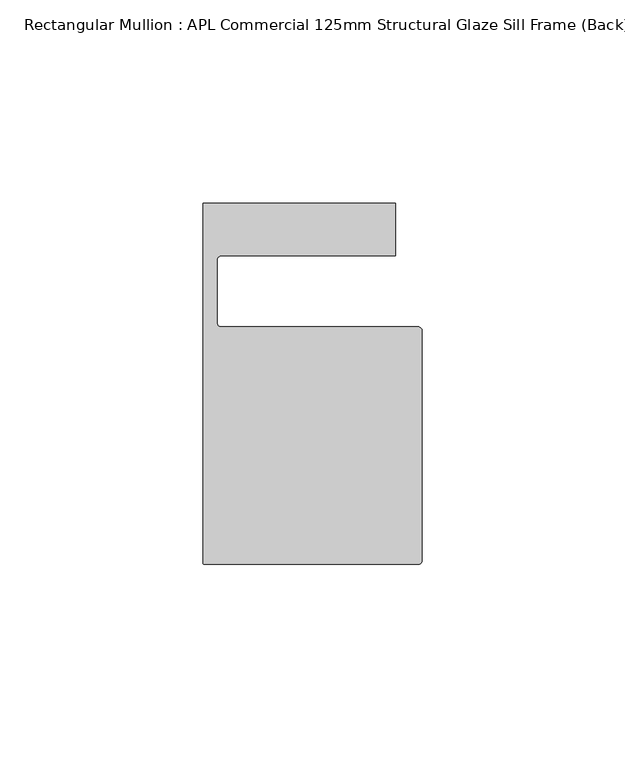
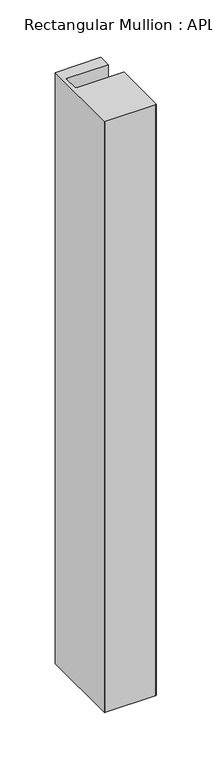
"""IFC4 building model written with IfcOpenShell, lengths in millimetres: member geometry, Rectangular Mullion : APL Commercial 125mm Structural Glaze Sill Frame (Back)."""

from ifc_helpers import new_model, si_unit, frame, origin, place, context, project, spatial, polyline, circle_curve, source, transform, mapped, element, save
from ifc_brep_helpers import plane_surface, cylinder_surface, revolved_surface, advanced_brep


def rectangular_mullion_apl_commercial_125mm_structural_glaze_f2e2d41d(model_context):
    return source(origin(), model_context, "Body", "AdvancedBrep", [
        advanced_brep(
        [(-53.5000029, -104.0, 0.0), (-1.0000025, -104.0, 0.0), (-2.5e-06, -103.0, 0.0), (0.0, -46.5010268, 0.0), (-1.0, -45.5010268, 0.0), (-49.5000004, -45.5010268, 0.0), (-50.5000004, -44.5010268, 0.0), (-50.5000029, -29.0004332, 0.0), (-49.5000029, -28.0004332, 0.0), (-6.5000029, -28.0004332, 0.0), (-6.5000029, -15.0004332, 0.0), (-54.0000029, -15.0004332, 0.0), (-54.0000029, -103.5, 0.0), (-53.5000029, -104.0, -651.6364174), (-54.0000029, -103.5, -651.6364174), (-54.0000029, -15.0004332, -651.6364174), (-6.5000029, -15.0004332, -651.6364174), (-6.5000029, -28.0004332, -651.6364174), (-49.5000029, -28.0004332, -651.6364174), (-50.5000029, -29.0004332, -651.6364174), (-50.5000029, -44.5010268, -651.6364174), (-49.5000004, -45.5010268, -651.6364174), (-1.0, -45.5010268, -651.6364174), (0.0, -46.5010268, -651.6364174), (0.0, -103.0, -651.6364174), (-1.0000025, -104.0, -651.6364174)],
        [
            (0, 1),
            (1, 2, circle_curve(frame((-1.0000025, -103.0, 0.0), z_axis=(0.0, 0.0, 1.0), x_axis=(0.9999999999996143, -8.78371761103865e-07, 0.0)), 1.0)),
            (2, 3),
            (3, 4, circle_curve(frame((-1.0, -46.5010268, 0.0), z_axis=(0.0, 0.0, 1.0), x_axis=(0.0, 1.0, 0.0)), 1.0)),
            (4, 5),
            (5, 6, circle_curve(frame((-49.5000004, -44.5010268, 0.0), z_axis=(0.0, 0.0, -1.0), x_axis=(-0.9999999999998819, -4.863123717036027e-07, 0.0)), 1.0)),
            (6, 7),
            (7, 8, circle_curve(frame((-49.5000029, -29.0004332, 0.0), z_axis=(0.0, 0.0, -1.0), x_axis=(0.0, 1.0, 0.0)), 1.0)),
            (8, 9),
            (9, 10),
            (10, 11),
            (11, 12),
            (12, 0, circle_curve(frame((-53.5000029, -103.5, 0.0), z_axis=(0.0, 0.0, 1.0), x_axis=(0.0, -1.0, 0.0)), 0.5)),
            (13, 14, circle_curve(frame((-53.5000029, -103.5, -651.6364174), z_axis=(0.0, 0.0, -1.0), x_axis=(0.0, -1.0, 0.0)), 0.5)),
            (14, 15),
            (15, 16),
            (16, 17),
            (17, 18),
            (18, 19, circle_curve(frame((-49.5000029, -29.0004332, -651.6364174), z_axis=(0.0, 0.0, 1.0), x_axis=(0.0, 1.0, 0.0)), 1.0)),
            (19, 20),
            (20, 21, circle_curve(frame((-49.5000004, -44.5010268, -651.6364174), z_axis=(0.0, 0.0, 1.0), x_axis=(-0.9999999999998819, -4.863123717036027e-07, 0.0)), 1.0)),
            (21, 22),
            (22, 23, circle_curve(frame((-1.0, -46.5010268, -651.6364174), z_axis=(0.0, 0.0, -1.0), x_axis=(0.0, 1.0, 0.0)), 1.0)),
            (23, 24),
            (24, 25, circle_curve(frame((-1.0000025, -103.0, -651.6364174), z_axis=(0.0, 0.0, -1.0), x_axis=(0.9999999999996143, -8.78371761103865e-07, 0.0)), 1.0)),
            (25, 13),
            (0, 13),
            (25, 1),
            (24, 2),
            (23, 3),
            (22, 4),
            (21, 5),
            (20, 6),
            (19, 7),
            (18, 8),
            (17, 9),
            (16, 10),
            (15, 11),
            (14, 12),
        ],
        [
            plane_surface(frame((0.0, -116.986179, 0.0), z_axis=(0.0, 0.0, 1.0), x_axis=(-1.0, 0.0, 0.0))),
            plane_surface(frame((0.0, -116.986179, -651.6364174), z_axis=(0.0, 0.0, -1.0), x_axis=(-1.0, 0.0, 0.0))),
            plane_surface(frame((-53.5000029, -104.0, 0.0), z_axis=(0.0, -1.0, 0.0), x_axis=(0.0, 0.0, -1.0))),
            cylinder_surface(frame((-1.0000025, -103.0, 0.0), z_axis=(0.0, 0.0, 1.0000000000000002), x_axis=(0.9999999999996143, -8.78371761103865e-07, 0.0)), 1.0),
            plane_surface(frame((0.0, -103.0, 0.0), z_axis=(1.0, 0.0, 0.0), x_axis=(0.0, 0.0, -1.0))),
            cylinder_surface(frame((-1.0, -46.5010268, 0.0), z_axis=(0.0, 0.0, 1.0), x_axis=(0.0, 1.0, 0.0)), 1.0),
            plane_surface(frame((-1.0, -45.5010268, 0.0), z_axis=(0.0, 1.0, 0.0), x_axis=(0.0, 0.0, -1.0))),
            revolved_surface(polyline([(-50.50000039999988, -44.50102728631237, -651.6364174000003), (-50.50000039999988, -44.50102728631237, 0.0)]), (-49.5000004, -44.5010268, 0.0), (0.0, 0.0, -1.0000000000000002)),
            plane_surface(frame((-50.5000029, -44.5010268, 0.0), z_axis=(1.0, 0.0, 0.0), x_axis=(0.0, 0.0, -1.0))),
            revolved_surface(polyline([(-49.5000029, -28.0004332, -651.6364174), (-49.5000029, -28.0004332, 0.0)]), (-49.5000029, -29.0004332, 0.0), (0.0, 0.0, -1.0)),
            plane_surface(frame((-49.5000029, -28.0004332, 0.0), z_axis=(0.0, -1.0, 0.0), x_axis=(0.0, 0.0, -1.0))),
            plane_surface(frame((-6.5000029, -28.0004332, 0.0), z_axis=(1.0, 0.0, 0.0), x_axis=(0.0, 0.0, -1.0))),
            plane_surface(frame((-6.5000029, -15.0004332, 0.0), z_axis=(0.0, 1.0, 0.0), x_axis=(0.0, 0.0, -1.0))),
            plane_surface(frame((-54.0000029, -15.0004332, 0.0), z_axis=(-1.0, 0.0, 0.0), x_axis=(0.0, 0.0, -1.0))),
            cylinder_surface(frame((-53.5000029, -103.5, 0.0), z_axis=(0.0, 0.0, 1.0), x_axis=(0.0, -1.0, 0.0)), 0.5),
        ],
        [
            (0, [[1, 2, 3, 4, 5, 6, 7, 8, 9, 10, 11, 12, 13]]),
            (1, [[14, 15, 16, 17, 18, 19, 20, 21, 22, 23, 24, 25, 26]]),
            (2, [[-1, 27, -26, 28]]),
            (3, [[-2, -28, -25, 29]]),
            (4, [[-3, -29, -24, 30]]),
            (5, [[-4, -30, -23, 31]]),
            (6, [[-5, -31, -22, 32]]),
            (7, [[-6, -32, -21, 33]]),
            (8, [[-7, -33, -20, 34]]),
            (9, [[-8, -34, -19, 35]]),
            (10, [[-9, -35, -18, 36]]),
            (11, [[-10, -36, -17, 37]]),
            (12, [[-11, -37, -16, 38]]),
            (13, [[-12, -38, -15, 39]]),
            (14, [[-13, -39, -14, -27]]),
        ],
    ),
    ])


if __name__ == "__main__":
    model = new_model("IFC4")
    model_context = context("Model", 3, world=origin())
    ifc_project = project(units=[si_unit("LENGTHUNIT", "METRE", prefix="MILLI")], contexts=[model_context])
    site = spatial("IfcSite", under=ifc_project)
    building = spatial("IfcBuilding", under=site)
    placement = place(None, origin())
    rectangular_mullion_apl_commercial_125mm_structural_glaze_shape = rectangular_mullion_apl_commercial_125mm_structural_glaze_f2e2d41d(model_context)
    element("IfcMember", 1, ObjectType="Rectangular Mullion : APL Commercial 125mm Structural Glaze Sill Frame (Back)", at=placement, inside=building, context=model_context, shape_type="MappedRepresentation", body=[
        mapped(rectangular_mullion_apl_commercial_125mm_structural_glaze_shape, transform((0.0, 0.0, 0.0), x_axis=(1.0, 0.0, 0.0), y_axis=(0.0, 1.0, 0.0), z_axis=(0.0, 0.0, 1.0))),
    ])
    save(model, "model.ifc")
